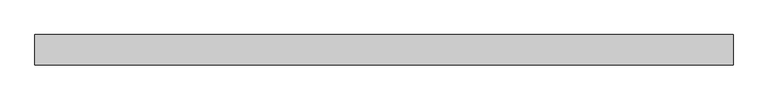
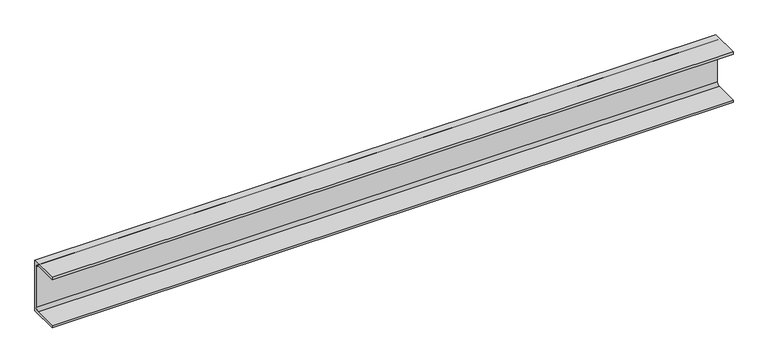
"""IFC4 building model written with IfcOpenShell, lengths in millimetres: beam geometry."""

from ifc_helpers import new_model, si_unit, point, frame, frame_2d, origin, place, context, project, spatial, polyline, circle_curve, trimmed, segment, composite_curve, outline, extrude, source, transform, mapped, element, save


def beam_a74aac2a(model_context):
    return source(origin(), model_context, "Body", "SweptSolid", [
        extrude(outline(composite_curve([segment(polyline([(25.2, 90.0), (25.2, -90.0), (-74.8, -90.0), (-74.8, -82.0), (6.7, -82.0)]), True, "CONTINUOUS"), segment(trimmed(circle_curve(frame_2d((6.7, -71.5)), 10.5), [point((6.7, -82.0))], [point((17.2, -71.5))], True, "CARTESIAN"), True, "CONTINUOUS"), segment(polyline([(17.2, -71.5), (17.2, 71.5)]), True, "CONTINUOUS"), segment(trimmed(circle_curve(frame_2d((6.7, 71.5)), 10.5), [point((17.2, 71.5))], [point((6.7, 82.0))], True, "CARTESIAN"), True, "CONTINUOUS"), segment(polyline([(6.7, 82.0), (-74.8, 82.0), (-74.8, 90.0), (25.2, 90.0)]), True, "CONTINUOUS")], self_intersect=False)), frame((-1148.5, 0.0, 0.0), z_axis=(1.0, 0.0, 0.0), x_axis=(0.0, 1.0, 0.0)), (0.0, 0.0, 1.0), 2297.0),
    ])


if __name__ == "__main__":
    model = new_model("IFC4")
    model_context = context("Model", 3, world=origin())
    ifc_project = project(units=[si_unit("LENGTHUNIT", "METRE", prefix="MILLI")], contexts=[model_context])
    site = spatial("IfcSite", under=ifc_project)
    building = spatial("IfcBuilding", under=site)
    placement = place(None, origin())
    beam_shape = beam_a74aac2a(model_context)
    element("IfcBeam", 1, at=placement, inside=building, context=model_context, shape_type="MappedRepresentation", body=[
        mapped(beam_shape, transform((0.0, 0.0, 0.0), x_axis=(1.0, 0.0, 0.0), y_axis=(0.0, 1.0, 0.0), z_axis=(0.0, 0.0, 1.0))),
    ])
    save(model, "model.ifc")
